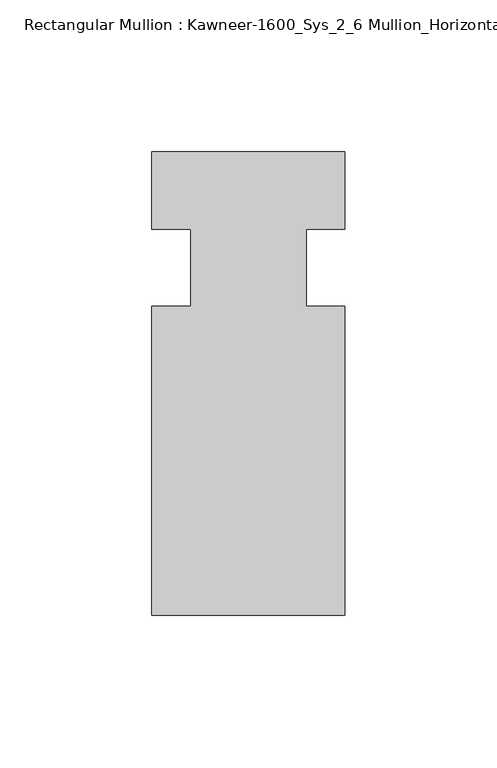
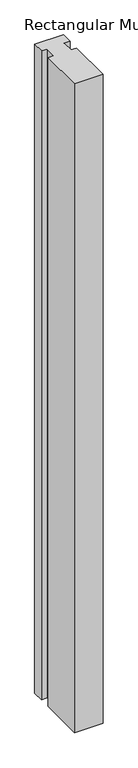
"""IFC4 building model written with IfcOpenShell, lengths in millimetres: member geometry, Rectangular Mullion : Kawneer-1600_Sys_2_6 Mullion_Horizontal."""

import ifcopenshell
import ifcopenshell.guid

model = None  # the IFC model being written
_history = None  # IfcOwnerHistory: only IFC2X3 demands one
_inside = {}  # id of a spatial element -> (the spatial element, [elements in it])
_under = {}  # id of a project, library or spatial element -> (it, [spatial elements below it])
_declared = {}  # id of a project -> (the project, [libraries it declares])
_typed = {}  # id of a type object -> (the type object, [elements of that type])
_made_of = {}  # id of a material, layer set ... -> (it, [elements and type objects made of it])


def new_model(schema):
    """Start an empty IFC model of exactly this schema.

    Asked for "IFC4X3", IfcOpenShell would pick the latest addendum, in which some entities
    have other attributes; the version numbers below select the first issue.
    IFC2X3 requires an IfcOwnerHistory on every rooted entity: one is made here for all.
    """
    global model, _history
    if schema == "IFC4X3":
        model = ifcopenshell.file(schema_version=(4, 3, 0, 0))
    else:
        model = ifcopenshell.file(schema=schema)
    _inside.clear()
    _under.clear()
    _declared.clear()
    _typed.clear()
    _made_of.clear()
    _history = None
    if model.schema == "IFC2X3":
        org = make("IfcOrganization", Name="unknown")
        user = make(
            "IfcPersonAndOrganization",
            ThePerson=make("IfcPerson", FamilyName="unknown"),
            TheOrganization=org,
        )
        app = make(
            "IfcApplication",
            ApplicationDeveloper=org,
            Version="unknown",
            ApplicationFullName="unknown",
            ApplicationIdentifier="unknown",
        )
        _history = make(
            "IfcOwnerHistory",
            OwningUser=user,
            OwningApplication=app,
            ChangeAction="ADDED",
            CreationDate=0,
        )
    return model


def make(cls, **values):
    """One entity of the class cls with the attributes given. An attribute that is None is left unset."""
    return model.create_entity(
        cls, **{name: value for name, value in values.items() if value is not None}
    )


def rooted(cls, **values):
    """An entity with a GlobalId (a new one), such as an element, a storey or a relation."""
    return make(cls, GlobalId=ifcopenshell.guid.new(), OwnerHistory=_history, **values)


def si_unit(unit_type, name, prefix=None):
    """IfcSIUnit, for example si_unit("LENGTHUNIT", "METRE", prefix="MILLI")."""
    return make("IfcSIUnit", UnitType=unit_type, Prefix=prefix, Name=name)


def assignment(units):
    """IfcUnitAssignment: the units of a project."""
    return None if units is None else make("IfcUnitAssignment", Units=units)


def point(xyz):
    """IfcCartesianPoint."""
    return None if xyz is None else make("IfcCartesianPoint", Coordinates=xyz)


def direction(xyz):
    """IfcDirection."""
    return None if xyz is None else make("IfcDirection", DirectionRatios=xyz)


def frame(location, z_axis=None, x_axis=None):
    """IfcAxis2Placement3D, a coordinate frame: its origin and axes. An axis left out is left unset."""
    return make(
        "IfcAxis2Placement3D",
        Location=point(location),
        Axis=direction(z_axis),
        RefDirection=direction(x_axis),
    )


def origin():
    """The frame at (0, 0, 0) with its axes left unset."""
    return frame((0.0, 0.0, 0.0))


def place(relative_to, where):
    """IfcLocalPlacement: puts the frame where relative to a parent placement (None: the world)."""
    return make(
        "IfcLocalPlacement", PlacementRelTo=relative_to, RelativePlacement=where
    )


def context(
    kind, dimensions, precision=None, world=None, true_north=None, identifier=None
):
    """IfcGeometricRepresentationContext, for example the 3D "Model" context."""
    return make(
        "IfcGeometricRepresentationContext",
        ContextIdentifier=identifier,
        ContextType=kind,
        CoordinateSpaceDimension=dimensions,
        Precision=precision,
        WorldCoordinateSystem=world,
        TrueNorth=true_north,
    )


def project(units=None, contexts=None):
    """IfcProject with its units and contexts."""
    return rooted(
        "IfcProject",
        Name="project",
        RepresentationContexts=contexts,
        UnitsInContext=assignment(units),
    )


def spatial(cls, under=None, at=None, **own):
    """A site, building, storey or space (cls), placed at a placement, below another one or the project."""
    s = rooted(cls, ObjectPlacement=at, **own)
    if under is not None:
        _under.setdefault(under.id(), (under, []))[1].append(s)
    return s


def polyline(points):
    """IfcPolyline through the points."""
    return make("IfcPolyline", Points=[point(p) for p in points])


def outline(outer, holes=None, kind="AREA"):
    """IfcArbitraryClosedProfileDef: a profile drawn as a closed curve; with holes, ...WithVoids."""
    if holes is None:
        return make("IfcArbitraryClosedProfileDef", ProfileType=kind, OuterCurve=outer)
    return make(
        "IfcArbitraryProfileDefWithVoids",
        ProfileType=kind,
        OuterCurve=outer,
        InnerCurves=holes,
    )


def extrude(swept, where, along, depth):
    """IfcExtrudedAreaSolid: the profile swept, set in the frame where, extruded along a direction by depth."""
    return make(
        "IfcExtrudedAreaSolid",
        SweptArea=swept,
        Position=where,
        ExtrudedDirection=direction(along),
        Depth=depth,
    )


def shape(context_of_items, identifier, shape_type, items):
    """IfcShapeRepresentation: the items that make up one representation, for example the "Body"."""
    return make(
        "IfcShapeRepresentation",
        ContextOfItems=context_of_items,
        RepresentationIdentifier=identifier,
        RepresentationType=shape_type,
        Items=items,
    )


def source(mapping_origin, context_of_items, identifier, shape_type, items):
    """IfcRepresentationMap: a shape defined once, which mapped items show again and again."""
    return make(
        "IfcRepresentationMap",
        MappingOrigin=mapping_origin,
        MappedRepresentation=shape(context_of_items, identifier, shape_type, items),
    )


def transform(
    local_origin,
    x_axis=None,
    y_axis=None,
    z_axis=None,
    scale=None,
    scale2=None,
    scale3=None,
    uniform=True,
):
    """IfcCartesianTransformationOperator3D, or its non-uniform kind. x_axis, y_axis, z_axis: its Axis1, 2, 3."""
    if uniform:
        return make(
            "IfcCartesianTransformationOperator3D",
            Axis1=direction(x_axis),
            Axis2=direction(y_axis),
            LocalOrigin=point(local_origin),
            Scale=scale,
            Axis3=direction(z_axis),
        )
    return make(
        "IfcCartesianTransformationOperator3DnonUniform",
        Axis1=direction(x_axis),
        Axis2=direction(y_axis),
        LocalOrigin=point(local_origin),
        Scale=scale,
        Axis3=direction(z_axis),
        Scale2=scale2,
        Scale3=scale3,
    )


def mapped(mapping_source, mapping_target):
    """IfcMappedItem: shows the shape of a source again, moved by a transform."""
    return make(
        "IfcMappedItem", MappingSource=mapping_source, MappingTarget=mapping_target
    )


def made_of(thing, what):
    """Note that an element or type object is made of a material, layer set ...; save() writes the relation."""
    if what is not None:
        _made_of.setdefault(what.id(), (what, []))[1].append(thing)
    return thing


def element(
    cls,
    number,
    at=None,
    inside=None,
    cuts=None,
    type_object=None,
    material=None,
    context=None,
    identifier="Body",
    shape_type=None,
    held_by="IfcProductDefinitionShape",
    body=None,
    shapes=None,
    **own,
):
    """One element of the class cls, such as IfcWall. Its Tag is "e" and its number.

    at: its placement. inside: the storey or other place that contains it. cuts: it is an
    opening in that element (IfcRelVoidsElement). A single representation is given by context,
    identifier, shape_type and body (its items); several are given by shapes. held_by: the class
    of the entity that holds the representations. save() writes the other relations.
    """
    e = rooted(cls, Tag="e%d" % number, ObjectPlacement=at, **own)
    if body is not None:
        shapes = [shape(context, identifier, shape_type, body)]
    if shapes is not None:
        e.Representation = make(held_by, Representations=shapes)
    if inside is not None:
        _inside.setdefault(inside.id(), (inside, []))[1].append(e)
    if cuts is not None:
        rooted(
            "IfcRelVoidsElement", RelatingBuildingElement=cuts, RelatedOpeningElement=e
        )
    if type_object is not None:
        _typed.setdefault(type_object.id(), (type_object, []))[1].append(e)
    return made_of(e, material)


def aggregate(whole, parts):
    """IfcRelAggregates: a whole, such as a stair, and the parts it consists of."""
    return rooted("IfcRelAggregates", RelatingObject=whole, RelatedObjects=parts)


def save(model, path):
    """Write the relations noted so far, then the file.

    IfcRelAggregates (storeys below a building ...), IfcRelContainedInSpatialStructure (elements
    in a storey), IfcRelDefinesByType, IfcRelAssociatesMaterial and IfcRelDeclares: one each for
    every whole, place, type object, material and project.
    """
    for whole, parts in _under.values():
        aggregate(whole, parts)
    for where, things in _inside.values():
        rooted(
            "IfcRelContainedInSpatialStructure",
            RelatedElements=things,
            RelatingStructure=where,
        )
    for kind, things in _typed.values():
        rooted("IfcRelDefinesByType", RelatedObjects=things, RelatingType=kind)
    for what, things in _made_of.values():
        rooted("IfcRelAssociatesMaterial", RelatedObjects=things, RelatingMaterial=what)
    for by, libraries in _declared.values():
        rooted("IfcRelDeclares", RelatingContext=by, RelatedDefinitions=libraries)
    model.write(path)


def rectangular_mullion_kawneer_1600_sys_2_6_mullion_horizontal_d5e362dd(model_context):
    return source(origin(), model_context, "Body", "SweptSolid", [
        extrude(outline(polyline([(36.0844027, -114.3), (-27.4155973, -114.3), (-27.4155973, -12.7), (-14.7155973, -12.7), (-14.7155973, 12.7), (-27.4155973, 12.7), (-27.4155973, 38.1), (36.0844027, 38.1), (36.0844027, 12.7), (23.3826322, 12.7), (23.3826322, -12.7), (36.0844027, -12.7), (36.0844027, -114.3)])), frame((0.0, 0.0, -1524.0), z_axis=(0.0, 0.0, 1.0), x_axis=(1.0, 0.0, 0.0)), (0.0, 0.0, 1.0), 1524.0),
    ])


if __name__ == "__main__":
    model = new_model("IFC4")
    model_context = context("Model", 3, world=origin())
    ifc_project = project(units=[si_unit("LENGTHUNIT", "METRE", prefix="MILLI")], contexts=[model_context])
    site = spatial("IfcSite", under=ifc_project)
    building = spatial("IfcBuilding", under=site)
    placement = place(None, origin())
    rectangular_mullion_kawneer_1600_sys_2_6_mullion_horizontal_shape = rectangular_mullion_kawneer_1600_sys_2_6_mullion_horizontal_d5e362dd(model_context)
    element("IfcMember", 1, ObjectType="Rectangular Mullion : Kawneer-1600_Sys_2_6 Mullion_Horizontal", at=placement, inside=building, context=model_context, shape_type="MappedRepresentation", body=[
        mapped(rectangular_mullion_kawneer_1600_sys_2_6_mullion_horizontal_shape, transform((0.0, 0.0, 0.0), x_axis=(1.0, 0.0, 0.0), y_axis=(0.0, 1.0, 0.0), z_axis=(0.0, 0.0, 1.0))),
    ])
    save(model, "model.ifc")
